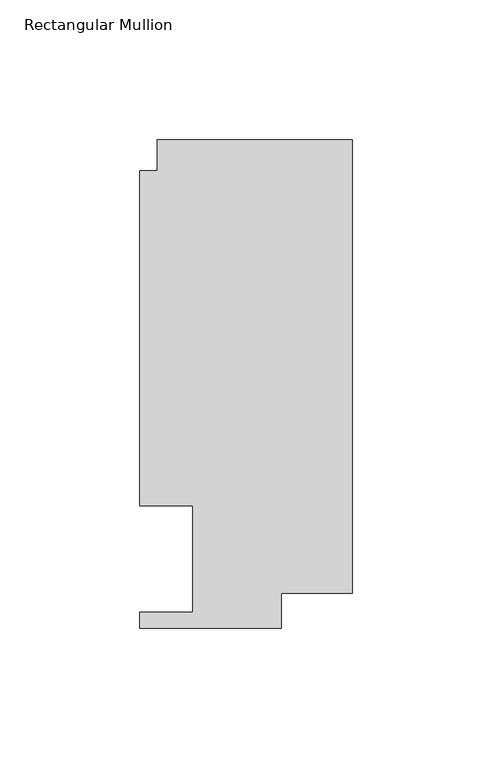
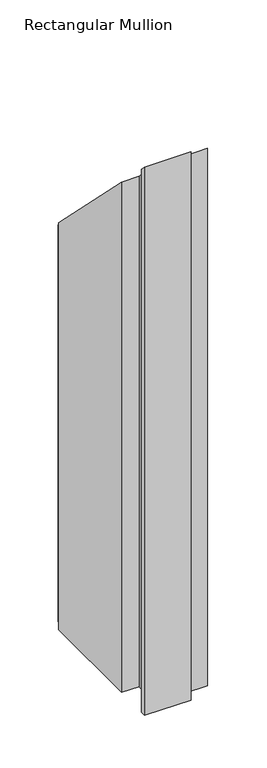
"""IFC4 building model written with IfcOpenShell, lengths in millimetres: member geometry, Rectangular Mullion."""

from ifc_helpers import new_model, si_unit, origin, place, context, project, spatial, faceted_brep, source, transform, mapped, element, save


def rectangular_mullion_5b6580db(model_context):
    return source(origin(), model_context, "Body", "Brep", [
        faceted_brep([(-69.8417664, 163.068, -623.2962875), (0.0, 163.068, -623.2962875), (0.0, 0.3801778, -623.2962875), (-25.4044662, 0.3801778, -623.2962875), (-25.4044662, -12.065, -623.2962875), (-76.2171663, -12.065, -623.2962875), (-76.2171663, -6.35, -623.2962875), (-57.1417663, -6.35, -623.2962875), (-57.1417663, 31.75, -623.2962875), (-76.1917663, 31.75, -623.2962875), (-76.1917663, 151.892, -623.2962875), (-69.8417664, 151.892, -623.2962875), (-69.8417664, 151.892, -151.892), (-69.8417664, 163.068, -163.068), (-76.1917663, 151.892, -151.892), (-76.1917663, 31.75, -31.75), (-57.1417663, 31.75, -31.75), (-57.1417663, -6.35, 6.35), (-76.2171663, -6.35, 6.35), (-76.2171663, -12.065, 12.065), (-25.4044662, -12.065, 12.065), (-25.4044662, 0.3801778, -0.3801778), (0.0, 0.3801778, -0.3801778), (0.0, 163.068, -163.068)], [[[0, 1, 2, 3, 4, 5, 6, 7, 8, 9, 10, 11]], [[12, 13, 0, 11]], [[14, 12, 11, 10]], [[15, 14, 10, 9]], [[16, 15, 9, 8]], [[17, 16, 8, 7]], [[18, 17, 7, 6]], [[19, 18, 6, 5]], [[20, 19, 5, 4]], [[21, 20, 4, 3]], [[22, 21, 3, 2]], [[23, 22, 2, 1]], [[13, 23, 1, 0]], [[13, 12, 14, 15, 16, 17, 18, 19, 20, 21, 22, 23]]]),
    ])


if __name__ == "__main__":
    model = new_model("IFC4")
    model_context = context("Model", 3, world=origin())
    ifc_project = project(units=[si_unit("LENGTHUNIT", "METRE", prefix="MILLI")], contexts=[model_context])
    site = spatial("IfcSite", under=ifc_project)
    building = spatial("IfcBuilding", under=site)
    placement = place(None, origin())
    rectangular_mullion_shape = rectangular_mullion_5b6580db(model_context)
    element("IfcMember", 1, ObjectType="Rectangular Mullion", at=placement, inside=building, context=model_context, shape_type="MappedRepresentation", body=[
        mapped(rectangular_mullion_shape, transform((0.0, 0.0, 0.0), x_axis=(1.0, 0.0, 0.0), y_axis=(0.0, 1.0, 0.0), z_axis=(0.0, 0.0, 1.0))),
    ])
    save(model, "model.ifc")
